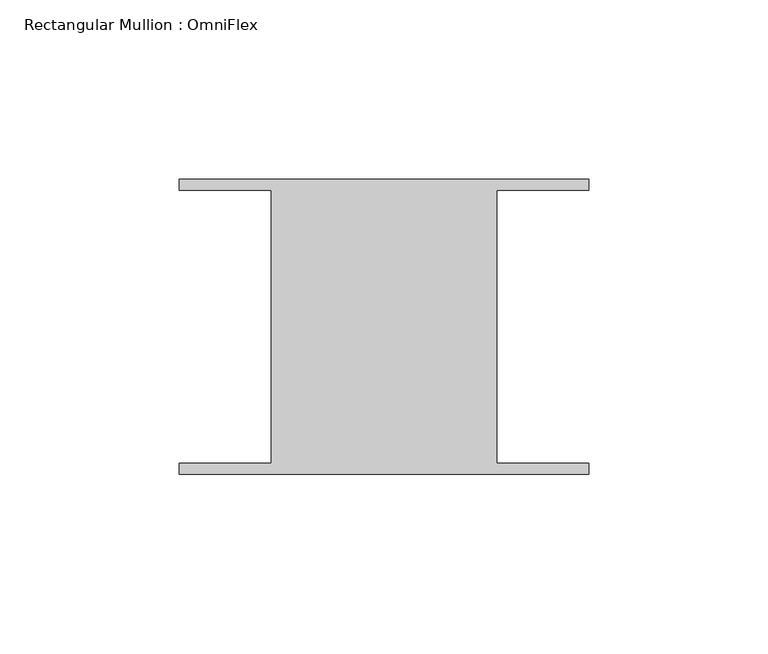
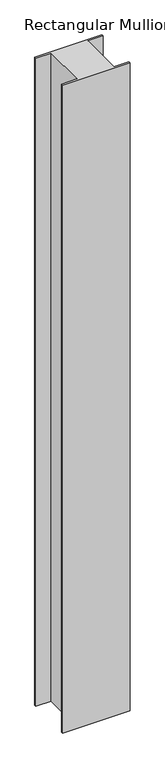
"""IFC4 building model written with IfcOpenShell, lengths in millimetres: member geometry, Rectangular Mullion : OmniFlex."""

from ifc_helpers import new_model, si_unit, frame, origin, place, context, project, spatial, polyline, outline, extrude, source, transform, mapped, element, save


def rectangular_mullion_omniflex_98ada47c(model_context):
    return source(origin(), model_context, "Body", "SweptSolid", [
        extrude(outline(polyline([(-57.15, 38.0620588), (-57.15, 41.13784), (57.15, 41.13784), (57.15, 38.0620587), (31.4523437, 38.0620588), (31.4523437, -38.0620587), (57.15, -38.0620588), (57.15, -41.13784), (-57.15, -41.13784), (-57.15, -38.0620587), (-31.4523438, -38.0620587), (-31.4523438, 38.0620588), (-57.15, 38.0620588)])), frame((0.0, 0.0, -1162.05), z_axis=(0.0, 0.0, 1.0), x_axis=(1.0, 0.0, 0.0)), (0.0, 0.0, 1.0), 1162.05),
    ])


if __name__ == "__main__":
    model = new_model("IFC4")
    model_context = context("Model", 3, world=origin())
    ifc_project = project(units=[si_unit("LENGTHUNIT", "METRE", prefix="MILLI")], contexts=[model_context])
    site = spatial("IfcSite", under=ifc_project)
    building = spatial("IfcBuilding", under=site)
    placement = place(None, origin())
    rectangular_mullion_omniflex_shape = rectangular_mullion_omniflex_98ada47c(model_context)
    element("IfcMember", 1, ObjectType="Rectangular Mullion : OmniFlex", at=placement, inside=building, context=model_context, shape_type="MappedRepresentation", body=[
        mapped(rectangular_mullion_omniflex_shape, transform((0.0, 0.0, 0.0), x_axis=(1.0, 0.0, 0.0), y_axis=(0.0, 1.0, 0.0), z_axis=(0.0, 0.0, 1.0))),
    ])
    save(model, "model.ifc")
